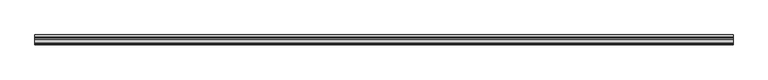
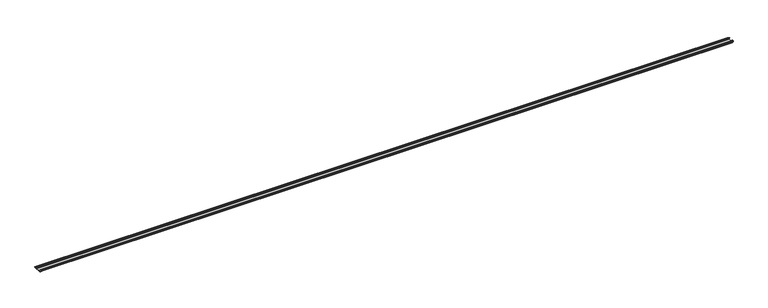
"""IFC4 building model written with IfcOpenShell, lengths in millimetres: proxy geometry."""

from ifc_helpers import new_model, si_unit, point, frame, frame_2d, origin, place, context, project, spatial, polyline, circle_curve, trimmed, segment, composite_curve, outline, extrude, source, transform, mapped, element, save


def generic_models_0ad9ee3c(model_context):
    return source(origin(), model_context, "Body", "SweptSolid", [
        extrude(outline(composite_curve([segment(trimmed(circle_curve(frame_2d((-62.6503601, 1.8496399)), 1.8496399), [point((-62.6503601, 0.0))], [point((-64.5, 1.8496399))], False, "CARTESIAN"), True, "CONTINUOUS"), segment(polyline([(-64.5, 1.8496399), (-64.5, 5.954427)]), True, "CONTINUOUS"), segment(trimmed(circle_curve(frame_2d((-66.20622, 5.954427)), 1.70622), [point((-64.5, 5.954427))], [point((-65.4316123, 7.4746802))], True, "CARTESIAN"), True, "CONTINUOUS"), segment(polyline([(-65.4316123, 7.4746802), (-72.6810737, 11.1684652)]), True, "CONTINUOUS"), segment(trimmed(circle_curve(frame_2d((-71.168691, 14.1366832)), 3.331309), [point((-72.6810737, 11.1684652))], [point((-74.5, 14.1366832))], False, "CARTESIAN"), True, "CONTINUOUS"), segment(polyline([(-74.5, 14.1366832), (-74.5, 20.1779423)]), True, "CONTINUOUS"), segment(trimmed(circle_curve(frame_2d((-71.9904423, 20.1779423)), 2.5095577), [point((-74.5, 20.1779423))], [point((-71.9904423, 22.6875))], False, "CARTESIAN"), True, "CONTINUOUS"), segment(polyline([(-71.9904423, 22.6875), (-70.5, 22.6875), (-70.5, 20.6875), (-71.7785709, 20.6875)]), True, "CONTINUOUS"), segment(trimmed(circle_curve(frame_2d((-71.7785709, 19.9660709)), 0.7214291), [point((-71.7785709, 20.6875))], [point((-72.5, 19.9660709))], True, "CARTESIAN"), True, "CONTINUOUS"), segment(polyline([(-72.5, 19.9660709), (-72.5, 14.7749524)]), True, "CONTINUOUS"), segment(trimmed(circle_curve(frame_2d((-70.1271304, 14.7749524)), 2.3728696), [point((-72.5, 14.7749524))], [point((-71.2043907, 12.6607101))], True, "CARTESIAN"), True, "CONTINUOUS"), segment(polyline([(-71.2043907, 12.6607101), (-64.0754216, 9.028319)]), True, "CONTINUOUS"), segment(trimmed(circle_curve(frame_2d((-65.3853373, 6.4574646)), 2.8853373), [point((-64.0754216, 9.028319))], [point((-62.5, 6.4574646))], False, "CARTESIAN"), True, "CONTINUOUS"), segment(polyline([(-62.5, 6.4574646), (-62.5, 4.1283032)]), True, "CONTINUOUS"), segment(trimmed(circle_curve(frame_2d((-60.3716968, 4.1283032)), 2.1283032), [point((-62.5, 4.1283032))], [point((-60.3716968, 2.0))], True, "CARTESIAN"), True, "CONTINUOUS"), segment(polyline([(-60.3716968, 2.0), (-24.1498681, 2.0)]), True, "CONTINUOUS"), segment(trimmed(circle_curve(frame_2d((-24.1498681, 4.6498681)), 2.6498681), [point((-24.1498681, 2.0))], [point((-21.5, 4.6498681))], True, "CARTESIAN"), True, "CONTINUOUS"), segment(polyline([(-21.5, 4.6498681), (-21.5, 11.0762745)]), True, "CONTINUOUS"), segment(trimmed(circle_curve(frame_2d((-24.2710864, 11.0762745)), 2.7710864), [point((-21.5, 11.0762745))], [point((-23.0130395, 13.5453305))], True, "CARTESIAN"), True, "CONTINUOUS"), segment(polyline([(-23.0130395, 13.5453305), (-31.0115672, 17.620784), (-31.0115672, 19.8654365), (-21.2217486, 14.8772747)]), True, "CONTINUOUS"), segment(trimmed(circle_curve(frame_2d((-22.6533308, 12.0676364)), 3.1533308), [point((-21.2217486, 14.8772747))], [point((-19.5, 12.0676364))], False, "CARTESIAN"), True, "CONTINUOUS"), segment(polyline([(-19.5, 12.0676364), (-19.5, 4.4365856)]), True, "CONTINUOUS"), segment(trimmed(circle_curve(frame_2d((-17.0634144, 4.4365856)), 2.4365856), [point((-19.5, 4.4365856))], [point((-17.0634144, 2.0))], True, "CARTESIAN"), True, "CONTINUOUS"), segment(polyline([(-17.0634144, 2.0), (0.0, 2.0), (0.0, 0.0), (-62.6503601, 0.0)]), True, "CONTINUOUS")], self_intersect=False)), frame((0.0, 0.0, 0.0), z_axis=(1.0, 0.0, 0.0), x_axis=(0.0, 1.0, 0.0)), (0.0, 0.0, 1.0), 5180.0),
    ])


if __name__ == "__main__":
    model = new_model("IFC4")
    model_context = context("Model", 3, world=origin())
    ifc_project = project(units=[si_unit("LENGTHUNIT", "METRE", prefix="MILLI")], contexts=[model_context])
    site = spatial("IfcSite", under=ifc_project)
    building = spatial("IfcBuilding", under=site)
    placement = place(None, origin())
    generic_models_shape = generic_models_0ad9ee3c(model_context)
    element("IfcBuildingElementProxy", 1, Name="Generic Models", at=placement, inside=building, context=model_context, shape_type="MappedRepresentation", body=[
        mapped(generic_models_shape, transform((0.0, 0.0, 0.0), x_axis=(1.0, 0.0, 0.0), y_axis=(0.0, 1.0, 0.0), z_axis=(0.0, 0.0, 1.0))),
    ])
    save(model, "model.ifc")
